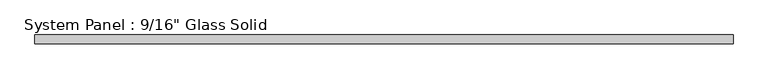
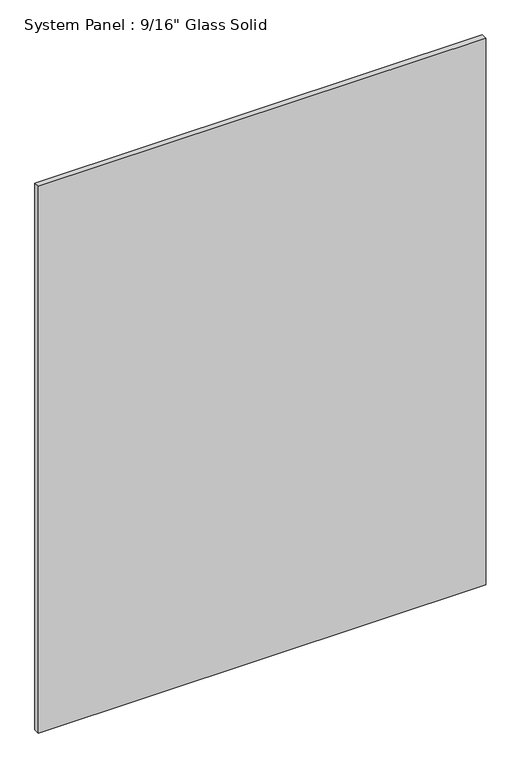
"""IFC4 building model written with IfcOpenShell, lengths in millimetres: plate geometry."""

from ifc_helpers import new_model, si_unit, origin, origin_with_axes, place, context, project, spatial, polyline, outline, extrude, source, transform, mapped, element, save


def plate_e381132d(model_context):
    return source(origin(), model_context, "Body", "SweptSolid", [
        extrude(outline(polyline([(562.5555865, -7.14375), (-562.5555865, -7.14375), (-562.5555865, 7.14375), (562.5555865, 7.14375), (562.5555865, -7.14375)])), origin_with_axes(), (0.0, 0.0, 1.0), 1452.8817704),
    ])


if __name__ == "__main__":
    model = new_model("IFC4")
    model_context = context("Model", 3, world=origin())
    ifc_project = project(units=[si_unit("LENGTHUNIT", "METRE", prefix="MILLI")], contexts=[model_context])
    site = spatial("IfcSite", under=ifc_project)
    building = spatial("IfcBuilding", under=site)
    placement = place(None, origin())
    plate_shape = plate_e381132d(model_context)
    element("IfcPlate", 1, ObjectType="System Panel : 9/16\" Glass Solid", at=placement, inside=building, context=model_context, shape_type="MappedRepresentation", body=[
        mapped(plate_shape, transform((0.0, 0.0, 0.0), x_axis=(1.0, 0.0, 0.0), y_axis=(0.0, 1.0, 0.0), z_axis=(0.0, 0.0, 1.0))),
    ])
    save(model, "model.ifc")
